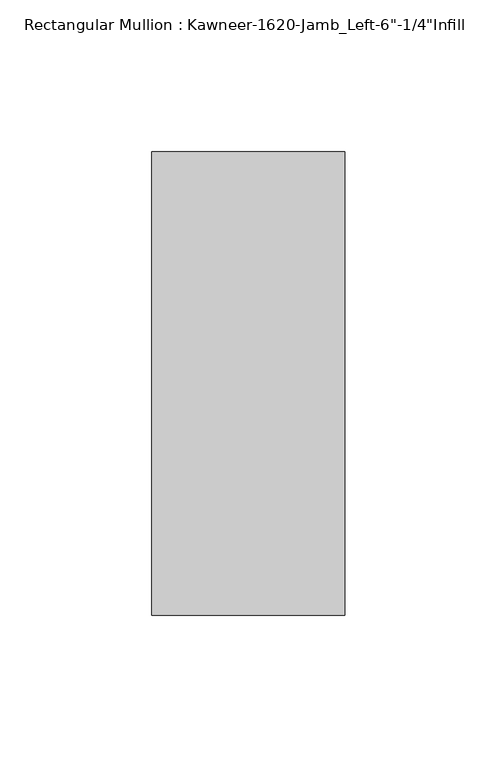
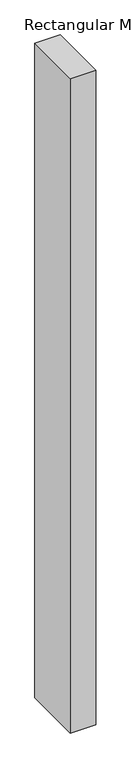
"""IFC4 building model written with IfcOpenShell, lengths in millimetres: member geometry."""

from ifc_helpers import new_model, si_unit, frame, origin, place, context, project, spatial, polyline, outline, extrude, source, transform, mapped, element, save


def member_ebf6b083(model_context):
    return source(origin(), model_context, "Body", "SweptSolid", [
        extrude(outline(polyline([(22.225, -28.575), (-41.275, -28.575), (-41.275, 123.825), (22.225, 123.825), (22.225, -28.575)])), frame((0.0, 0.0, -1720.85), z_axis=(0.0, 0.0, 1.0), x_axis=(1.0, 0.0, 0.0)), (0.0, 0.0, 1.0), 1720.85),
    ])


if __name__ == "__main__":
    model = new_model("IFC4")
    model_context = context("Model", 3, world=origin())
    ifc_project = project(units=[si_unit("LENGTHUNIT", "METRE", prefix="MILLI")], contexts=[model_context])
    site = spatial("IfcSite", under=ifc_project)
    building = spatial("IfcBuilding", under=site)
    placement = place(None, origin())
    member_shape = member_ebf6b083(model_context)
    element("IfcMember", 1, ObjectType="Rectangular Mullion : Kawneer-1620-Jamb_Left-6\"-1/4\"Infill", at=placement, inside=building, context=model_context, shape_type="MappedRepresentation", body=[
        mapped(member_shape, transform((0.0, 0.0, 0.0), x_axis=(1.0, 0.0, 0.0), y_axis=(0.0, 1.0, 0.0), z_axis=(0.0, 0.0, 1.0))),
    ])
    save(model, "model.ifc")
